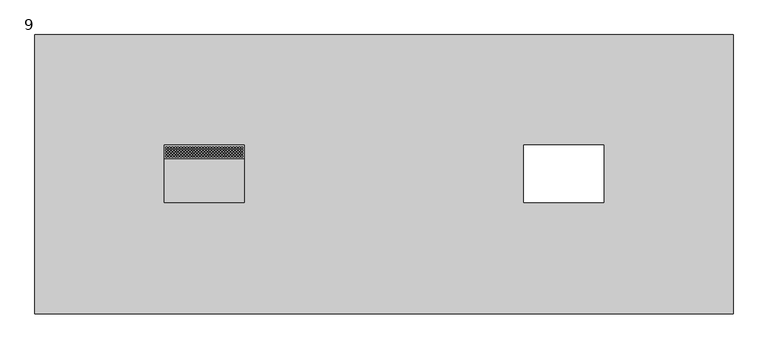
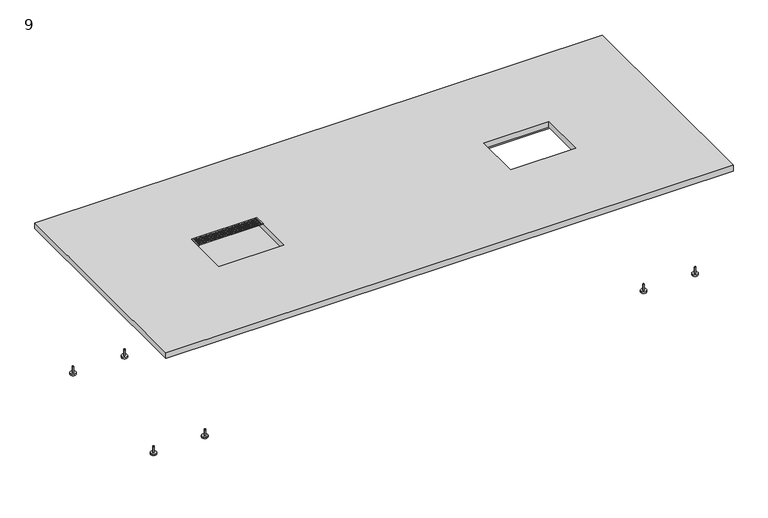
"""IFC4 building model written with IfcOpenShell, lengths in millimetres: furniture geometry, 9."""

from ifc_helpers import new_model, si_unit, point, frame, frame_2d, origin, origin_with_axes, place, context, project, spatial, polyline, circle_curve, trimmed, segment, composite_curve, outline, extrude, source, transform, mapped, element, save


def furniture_9_bc677379(model_context):
    return source(origin(), model_context, "Body", "SweptSolid", [
        extrude(outline(polyline([(863.4796415, 414.02), (514.2296415, 414.02), (514.2296415, 471.17), (863.4796415, 471.17), (863.4796415, 414.02)]), holes=[polyline([(527.0542734, 419.7500787), (527.0542734, 426.1000787), (520.7042734, 426.1000787), (520.7042734, 419.7500787), (527.0542734, 419.7500787)]), polyline([(527.0542734, 432.4500787), (527.0542734, 438.8000787), (520.7042734, 438.8000787), (520.7042734, 432.4500787), (527.0542734, 432.4500787)]), polyline([(527.0542734, 445.1500787), (527.0542734, 451.5000787), (520.7042734, 451.5000787), (520.7042734, 445.1500787), (527.0542734, 445.1500787)]), polyline([(527.0542734, 457.8500787), (527.0542734, 464.2000787), (520.7042734, 464.2000787), (520.7042734, 457.8500787), (527.0542734, 457.8500787)]), polyline([(539.7542734, 419.7500787), (539.7542734, 426.1000787), (533.4042734, 426.1000787), (533.4042734, 419.7500787), (539.7542734, 419.7500787)]), polyline([(539.7542734, 432.4500787), (539.7542734, 438.8000787), (533.4042734, 438.8000787), (533.4042734, 432.4500787), (539.7542734, 432.4500787)]), polyline([(539.7542734, 445.1500787), (539.7542734, 451.5000787), (533.4042734, 451.5000787), (533.4042734, 445.1500787), (539.7542734, 445.1500787)]), polyline([(539.7542734, 457.8500787), (539.7542734, 464.2000787), (533.4042734, 464.2000787), (533.4042734, 457.8500787), (539.7542734, 457.8500787)]), polyline([(552.4542734, 419.7500787), (552.4542734, 426.1000787), (546.1042734, 426.1000787), (546.1042734, 419.7500787), (552.4542734, 419.7500787)]), polyline([(552.4542734, 432.4500787), (552.4542734, 438.8000787), (546.1042734, 438.8000787), (546.1042734, 432.4500787), (552.4542734, 432.4500787)]), polyline([(552.4542734, 445.1500787), (552.4542734, 451.5000787), (546.1042734, 451.5000787), (546.1042734, 445.1500787), (552.4542734, 445.1500787)]), polyline([(552.4542734, 457.8500787), (552.4542734, 464.2000787), (546.1042734, 464.2000787), (546.1042734, 457.8500787), (552.4542734, 457.8500787)]), polyline([(565.1542734, 419.7500787), (565.1542734, 426.1000787), (558.8042734, 426.1000787), (558.8042734, 419.7500787), (565.1542734, 419.7500787)]), polyline([(565.1542734, 432.4500787), (565.1542734, 438.8000787), (558.8042734, 438.8000787), (558.8042734, 432.4500787), (565.1542734, 432.4500787)]), polyline([(565.1542734, 445.1500787), (565.1542734, 451.5000787), (558.8042734, 451.5000787), (558.8042734, 445.1500787), (565.1542734, 445.1500787)]), polyline([(565.1542734, 457.8500787), (565.1542734, 464.2000787), (558.8042734, 464.2000787), (558.8042734, 457.8500787), (565.1542734, 457.8500787)]), polyline([(577.8542734, 419.7500787), (577.8542734, 426.1000787), (571.5042734, 426.1000787), (571.5042734, 419.7500787), (577.8542734, 419.7500787)]), polyline([(577.8542734, 432.4500787), (577.8542734, 438.8000787), (571.5042734, 438.8000787), (571.5042734, 432.4500787), (577.8542734, 432.4500787)]), polyline([(577.8542734, 445.1500787), (577.8542734, 451.5000787), (571.5042734, 451.5000787), (571.5042734, 445.1500787), (577.8542734, 445.1500787)]), polyline([(577.8542734, 457.8500787), (577.8542734, 464.2000787), (571.5042734, 464.2000787), (571.5042734, 457.8500787), (577.8542734, 457.8500787)]), polyline([(590.5542734, 419.7500787), (590.5542734, 426.1000787), (584.2042734, 426.1000787), (584.2042734, 419.7500787), (590.5542734, 419.7500787)]), polyline([(590.5542734, 432.4500787), (590.5542734, 438.8000787), (584.2042734, 438.8000787), (584.2042734, 432.4500787), (590.5542734, 432.4500787)]), polyline([(590.5542734, 445.1500787), (590.5542734, 451.5000787), (584.2042734, 451.5000787), (584.2042734, 445.1500787), (590.5542734, 445.1500787)]), polyline([(590.5542734, 457.8500787), (590.5542734, 464.2000787), (584.2042734, 464.2000787), (584.2042734, 457.8500787), (590.5542734, 457.8500787)]), polyline([(603.2542734, 419.7500787), (603.2542734, 426.1000787), (596.9042734, 426.1000787), (596.9042734, 419.7500787), (603.2542734, 419.7500787)]), polyline([(603.2542734, 432.4500787), (603.2542734, 438.8000787), (596.9042734, 438.8000787), (596.9042734, 432.4500787), (603.2542734, 432.4500787)]), polyline([(603.2542734, 445.1500787), (603.2542734, 451.5000787), (596.9042734, 451.5000787), (596.9042734, 445.1500787), (603.2542734, 445.1500787)]), polyline([(603.2542734, 457.8500787), (603.2542734, 464.2000787), (596.9042734, 464.2000787), (596.9042734, 457.8500787), (603.2542734, 457.8500787)]), polyline([(615.9542734, 419.7500787), (615.9542734, 426.1000787), (609.6042734, 426.1000787), (609.6042734, 419.7500787), (615.9542734, 419.7500787)]), polyline([(615.9542734, 432.4500787), (615.9542734, 438.8000787), (609.6042734, 438.8000787), (609.6042734, 432.4500787), (615.9542734, 432.4500787)]), polyline([(615.9542734, 445.1500787), (615.9542734, 451.5000787), (609.6042734, 451.5000787), (609.6042734, 445.1500787), (615.9542734, 445.1500787)]), polyline([(615.9542734, 457.8500787), (615.9542734, 464.2000787), (609.6042734, 464.2000787), (609.6042734, 457.8500787), (615.9542734, 457.8500787)]), polyline([(628.6542734, 419.7500787), (628.6542734, 426.1000787), (622.3042734, 426.1000787), (622.3042734, 419.7500787), (628.6542734, 419.7500787)]), polyline([(628.6542734, 432.4500787), (628.6542734, 438.8000787), (622.3042734, 438.8000787), (622.3042734, 432.4500787), (628.6542734, 432.4500787)]), polyline([(628.6542734, 445.1500787), (628.6542734, 451.5000787), (622.3042734, 451.5000787), (622.3042734, 445.1500787), (628.6542734, 445.1500787)]), polyline([(628.6542734, 457.8500787), (628.6542734, 464.2000787), (622.3042734, 464.2000787), (622.3042734, 457.8500787), (628.6542734, 457.8500787)]), polyline([(641.3542734, 419.7500787), (641.3542734, 426.1000787), (635.0042734, 426.1000787), (635.0042734, 419.7500787), (641.3542734, 419.7500787)]), polyline([(641.3542734, 432.4500787), (641.3542734, 438.8000787), (635.0042734, 438.8000787), (635.0042734, 432.4500787), (641.3542734, 432.4500787)]), polyline([(641.3542734, 445.1500787), (641.3542734, 451.5000787), (635.0042734, 451.5000787), (635.0042734, 445.1500787), (641.3542734, 445.1500787)]), polyline([(641.3542734, 457.8500787), (641.3542734, 464.2000787), (635.0042734, 464.2000787), (635.0042734, 457.8500787), (641.3542734, 457.8500787)]), polyline([(654.0542734, 419.7500787), (654.0542734, 426.1000787), (647.7042734, 426.1000787), (647.7042734, 419.7500787), (654.0542734, 419.7500787)]), polyline([(654.0542734, 432.4500787), (654.0542734, 438.8000787), (647.7042734, 438.8000787), (647.7042734, 432.4500787), (654.0542734, 432.4500787)]), polyline([(654.0542734, 445.1500787), (654.0542734, 451.5000787), (647.7042734, 451.5000787), (647.7042734, 445.1500787), (654.0542734, 445.1500787)]), polyline([(654.0542734, 457.8500787), (654.0542734, 464.2000787), (647.7042734, 464.2000787), (647.7042734, 457.8500787), (654.0542734, 457.8500787)]), polyline([(666.7542734, 419.7500787), (666.7542734, 426.1000787), (660.4042734, 426.1000787), (660.4042734, 419.7500787), (666.7542734, 419.7500787)]), polyline([(666.7542734, 432.4500787), (666.7542734, 438.8000787), (660.4042734, 438.8000787), (660.4042734, 432.4500787), (666.7542734, 432.4500787)]), polyline([(666.7542734, 445.1500787), (666.7542734, 451.5000787), (660.4042734, 451.5000787), (660.4042734, 445.1500787), (666.7542734, 445.1500787)]), polyline([(666.7542734, 457.8500787), (666.7542734, 464.2000787), (660.4042734, 464.2000787), (660.4042734, 457.8500787), (666.7542734, 457.8500787)]), polyline([(679.4542734, 419.7500787), (679.4542734, 426.1000787), (673.1042734, 426.1000787), (673.1042734, 419.7500787), (679.4542734, 419.7500787)]), polyline([(679.4542734, 432.4500787), (679.4542734, 438.8000787), (673.1042734, 438.8000787), (673.1042734, 432.4500787), (679.4542734, 432.4500787)]), polyline([(679.4542734, 445.1500787), (679.4542734, 451.5000787), (673.1042734, 451.5000787), (673.1042734, 445.1500787), (679.4542734, 445.1500787)]), polyline([(679.4542734, 457.8500787), (679.4542734, 464.2000787), (673.1042734, 464.2000787), (673.1042734, 457.8500787), (679.4542734, 457.8500787)]), polyline([(692.1542734, 419.7500787), (692.1542734, 426.1000787), (685.8042734, 426.1000787), (685.8042734, 419.7500787), (692.1542734, 419.7500787)]), polyline([(692.1542734, 432.4500787), (692.1542734, 438.8000787), (685.8042734, 438.8000787), (685.8042734, 432.4500787), (692.1542734, 432.4500787)]), polyline([(692.1542734, 445.1500787), (692.1542734, 451.5000787), (685.8042734, 451.5000787), (685.8042734, 445.1500787), (692.1542734, 445.1500787)]), polyline([(692.1542734, 457.8500787), (692.1542734, 464.2000787), (685.8042734, 464.2000787), (685.8042734, 457.8500787), (692.1542734, 457.8500787)]), polyline([(704.8542734, 419.7500787), (704.8542734, 426.1000787), (698.5042734, 426.1000787), (698.5042734, 419.7500787), (704.8542734, 419.7500787)]), polyline([(704.8542734, 432.4500787), (704.8542734, 438.8000787), (698.5042734, 438.8000787), (698.5042734, 432.4500787), (704.8542734, 432.4500787)]), polyline([(704.8542734, 445.1500787), (704.8542734, 451.5000787), (698.5042734, 451.5000787), (698.5042734, 445.1500787), (704.8542734, 445.1500787)]), polyline([(704.8542734, 457.8500787), (704.8542734, 464.2000787), (698.5042734, 464.2000787), (698.5042734, 457.8500787), (704.8542734, 457.8500787)]), polyline([(717.5542734, 419.7500787), (717.5542734, 426.1000787), (711.2042734, 426.1000787), (711.2042734, 419.7500787), (717.5542734, 419.7500787)]), polyline([(717.5542734, 432.4500787), (717.5542734, 438.8000787), (711.2042734, 438.8000787), (711.2042734, 432.4500787), (717.5542734, 432.4500787)]), polyline([(717.5542734, 445.1500787), (717.5542734, 451.5000787), (711.2042734, 451.5000787), (711.2042734, 445.1500787), (717.5542734, 445.1500787)]), polyline([(717.5542734, 457.8500787), (717.5542734, 464.2000787), (711.2042734, 464.2000787), (711.2042734, 457.8500787), (717.5542734, 457.8500787)]), polyline([(730.2542734, 419.7500787), (730.2542734, 426.1000787), (723.9042734, 426.1000787), (723.9042734, 419.7500787), (730.2542734, 419.7500787)]), polyline([(730.2542734, 432.4500787), (730.2542734, 438.8000787), (723.9042734, 438.8000787), (723.9042734, 432.4500787), (730.2542734, 432.4500787)]), polyline([(730.2542734, 445.1500787), (730.2542734, 451.5000787), (723.9042734, 451.5000787), (723.9042734, 445.1500787), (730.2542734, 445.1500787)]), polyline([(730.2542734, 457.8500787), (730.2542734, 464.2000787), (723.9042734, 464.2000787), (723.9042734, 457.8500787), (730.2542734, 457.8500787)]), polyline([(742.9542734, 419.7500787), (742.9542734, 426.1000787), (736.6042734, 426.1000787), (736.6042734, 419.7500787), (742.9542734, 419.7500787)]), polyline([(742.9542734, 432.4500787), (742.9542734, 438.8000787), (736.6042734, 438.8000787), (736.6042734, 432.4500787), (742.9542734, 432.4500787)]), polyline([(742.9542734, 445.1500787), (742.9542734, 451.5000787), (736.6042734, 451.5000787), (736.6042734, 445.1500787), (742.9542734, 445.1500787)]), polyline([(742.9542734, 457.8500787), (742.9542734, 464.2000787), (736.6042734, 464.2000787), (736.6042734, 457.8500787), (742.9542734, 457.8500787)]), polyline([(755.6542734, 419.7500787), (755.6542734, 426.1000787), (749.3042734, 426.1000787), (749.3042734, 419.7500787), (755.6542734, 419.7500787)]), polyline([(755.6542734, 432.4500787), (755.6542734, 438.8000787), (749.3042734, 438.8000787), (749.3042734, 432.4500787), (755.6542734, 432.4500787)]), polyline([(755.6542734, 445.1500787), (755.6542734, 451.5000787), (749.3042734, 451.5000787), (749.3042734, 445.1500787), (755.6542734, 445.1500787)]), polyline([(755.6542734, 457.8500787), (755.6542734, 464.2000787), (749.3042734, 464.2000787), (749.3042734, 457.8500787), (755.6542734, 457.8500787)]), polyline([(768.3542734, 419.7500787), (768.3542734, 426.1000787), (762.0042734, 426.1000787), (762.0042734, 419.7500787), (768.3542734, 419.7500787)]), polyline([(768.3542734, 432.4500787), (768.3542734, 438.8000787), (762.0042734, 438.8000787), (762.0042734, 432.4500787), (768.3542734, 432.4500787)]), polyline([(768.3542734, 445.1500787), (768.3542734, 451.5000787), (762.0042734, 451.5000787), (762.0042734, 445.1500787), (768.3542734, 445.1500787)]), polyline([(768.3542734, 457.8500787), (768.3542734, 464.2000787), (762.0042734, 464.2000787), (762.0042734, 457.8500787), (768.3542734, 457.8500787)]), polyline([(781.0542734, 419.7500787), (781.0542734, 426.1000787), (774.7042734, 426.1000787), (774.7042734, 419.7500787), (781.0542734, 419.7500787)]), polyline([(781.0542734, 432.4500787), (781.0542734, 438.8000787), (774.7042734, 438.8000787), (774.7042734, 432.4500787), (781.0542734, 432.4500787)]), polyline([(781.0542734, 445.1500787), (781.0542734, 451.5000787), (774.7042734, 451.5000787), (774.7042734, 445.1500787), (781.0542734, 445.1500787)]), polyline([(781.0542734, 457.8500787), (781.0542734, 464.2000787), (774.7042734, 464.2000787), (774.7042734, 457.8500787), (781.0542734, 457.8500787)]), polyline([(793.7542734, 419.7500787), (793.7542734, 426.1000787), (787.4042734, 426.1000787), (787.4042734, 419.7500787), (793.7542734, 419.7500787)]), polyline([(793.7542734, 432.4500787), (793.7542734, 438.8000787), (787.4042734, 438.8000787), (787.4042734, 432.4500787), (793.7542734, 432.4500787)]), polyline([(793.7542734, 445.1500787), (793.7542734, 451.5000787), (787.4042734, 451.5000787), (787.4042734, 445.1500787), (793.7542734, 445.1500787)]), polyline([(793.7542734, 457.8500787), (793.7542734, 464.2000787), (787.4042734, 464.2000787), (787.4042734, 457.8500787), (793.7542734, 457.8500787)]), polyline([(806.4542734, 419.7500787), (806.4542734, 426.1000787), (800.1042734, 426.1000787), (800.1042734, 419.7500787), (806.4542734, 419.7500787)]), polyline([(806.4542734, 432.4500787), (806.4542734, 438.8000787), (800.1042734, 438.8000787), (800.1042734, 432.4500787), (806.4542734, 432.4500787)]), polyline([(806.4542734, 445.1500787), (806.4542734, 451.5000787), (800.1042734, 451.5000787), (800.1042734, 445.1500787), (806.4542734, 445.1500787)]), polyline([(806.4542734, 457.8500787), (806.4542734, 464.2000787), (800.1042734, 464.2000787), (800.1042734, 457.8500787), (806.4542734, 457.8500787)]), polyline([(819.1542734, 419.7500787), (819.1542734, 426.1000787), (812.8042734, 426.1000787), (812.8042734, 419.7500787), (819.1542734, 419.7500787)]), polyline([(819.1542734, 432.4500787), (819.1542734, 438.8000787), (812.8042734, 438.8000787), (812.8042734, 432.4500787), (819.1542734, 432.4500787)]), polyline([(819.1542734, 445.1500787), (819.1542734, 451.5000787), (812.8042734, 451.5000787), (812.8042734, 445.1500787), (819.1542734, 445.1500787)]), polyline([(819.1542734, 457.8500787), (819.1542734, 464.2000787), (812.8042734, 464.2000787), (812.8042734, 457.8500787), (819.1542734, 457.8500787)]), polyline([(831.8542734, 419.7500787), (831.8542734, 426.1000787), (825.5042734, 426.1000787), (825.5042734, 419.7500787), (831.8542734, 419.7500787)]), polyline([(831.8542734, 432.4500787), (831.8542734, 438.8000787), (825.5042734, 438.8000787), (825.5042734, 432.4500787), (831.8542734, 432.4500787)]), polyline([(831.8542734, 445.1500787), (831.8542734, 451.5000787), (825.5042734, 451.5000787), (825.5042734, 445.1500787), (831.8542734, 445.1500787)]), polyline([(831.8542734, 457.8500787), (831.8542734, 464.2000787), (825.5042734, 464.2000787), (825.5042734, 457.8500787), (831.8542734, 457.8500787)]), polyline([(844.5542734, 419.7500787), (844.5542734, 426.1000787), (838.2042734, 426.1000787), (838.2042734, 419.7500787), (844.5542734, 419.7500787)]), polyline([(844.5542734, 432.4500787), (844.5542734, 438.8000787), (838.2042734, 438.8000787), (838.2042734, 432.4500787), (844.5542734, 432.4500787)]), polyline([(844.5542734, 445.1500787), (844.5542734, 451.5000787), (838.2042734, 451.5000787), (838.2042734, 445.1500787), (844.5542734, 445.1500787)]), polyline([(844.5542734, 457.8500787), (844.5542734, 464.2000787), (838.2042734, 464.2000787), (838.2042734, 457.8500787), (844.5542734, 457.8500787)]), polyline([(857.2542734, 419.7500787), (857.2542734, 426.1000787), (850.9042734, 426.1000787), (850.9042734, 419.7500787), (857.2542734, 419.7500787)]), polyline([(857.2542734, 432.4500787), (857.2542734, 438.8000787), (850.9042734, 438.8000787), (850.9042734, 432.4500787), (857.2542734, 432.4500787)]), polyline([(857.2542734, 445.1500787), (857.2542734, 451.5000787), (850.9042734, 451.5000787), (850.9042734, 445.1500787), (857.2542734, 445.1500787)]), polyline([(857.2542734, 457.8500787), (857.2542734, 464.2000787), (850.9042734, 464.2000787), (850.9042734, 457.8500787), (857.2542734, 457.8500787)])]), frame((0.0, 0.0, 739.775), z_axis=(0.0, 0.0, 1.0), x_axis=(1.0, 0.0, 0.0)), (0.0, 0.0, 1.0), 2.54),
        extrude(outline(polyline([(873.0046415, 220.472), (504.7046415, 220.472), (504.7046415, 471.17), (873.0046415, 471.17), (873.0046415, 220.472)])), frame((0.0, 0.0, 656.2909937), z_axis=(0.0, 0.0, 1.0), x_axis=(1.0, 0.0, 0.0)), (0.0, 0.0, 1.0), 51.7340063),
        extrude(outline(composite_curve([segment(trimmed(circle_curve(frame_2d((2928.5169923, 718.3436889)), 3.9469495), [point((2924.5700428, 718.3436889))], [point((2932.4639418, 718.3436889))], False, "CARTESIAN"), True, "CONTINUOUS"), segment(trimmed(circle_curve(frame_2d((2928.5169923, 718.3436889)), 3.9469495), [point((2932.4639418, 718.3436889))], [point((2924.5700428, 718.3436889))], False, "CARTESIAN"), True, "CONTINUOUS")], self_intersect=False)), frame((0.0, 0.0, 7.6398437), z_axis=(0.0, 0.0, 1.0), x_axis=(1.0, 0.0, 0.0)), (0.0, 0.0, 1.0), 34.693572),
        extrude(outline(composite_curve([segment(trimmed(circle_curve(frame_2d((2928.0127687, 718.3040625)), 15.24), [point((2912.7727687, 718.3040625))], [point((2943.2527687, 718.3040625))], False, "CARTESIAN"), True, "CONTINUOUS"), segment(trimmed(circle_curve(frame_2d((2928.0127687, 718.3040625)), 15.24), [point((2943.2527687, 718.3040625))], [point((2912.7727687, 718.3040625))], False, "CARTESIAN"), True, "CONTINUOUS")], self_intersect=False)), origin_with_axes(), (0.0, 0.0, 1.0), 7.62),
        extrude(outline(composite_curve([segment(trimmed(circle_curve(frame_2d((2651.8466705, 718.3436889)), 3.9469495), [point((2655.79362, 718.3436889))], [point((2647.899721, 718.3436889))], False, "CARTESIAN"), True, "CONTINUOUS"), segment(trimmed(circle_curve(frame_2d((2651.8466705, 718.3436889)), 3.9469495), [point((2647.899721, 718.3436889))], [point((2655.79362, 718.3436889))], False, "CARTESIAN"), True, "CONTINUOUS")], self_intersect=False)), frame((0.0, 0.0, 7.6398437), z_axis=(0.0, 0.0, 1.0), x_axis=(1.0, 0.0, 0.0)), (0.0, 0.0, 1.0), 34.693572),
        extrude(outline(composite_curve([segment(trimmed(circle_curve(frame_2d((2652.3508942, 718.3040625)), 15.24), [point((2667.5908942, 718.3040625))], [point((2637.1108942, 718.3040625))], False, "CARTESIAN"), True, "CONTINUOUS"), segment(trimmed(circle_curve(frame_2d((2652.3508942, 718.3040625)), 15.24), [point((2637.1108942, 718.3040625))], [point((2667.5908942, 718.3040625))], False, "CARTESIAN"), True, "CONTINUOUS")], self_intersect=False)), origin_with_axes(), (0.0, 0.0, 1.0), 7.62),
        extrude(outline(composite_curve([segment(trimmed(circle_curve(frame_2d((2928.5169923, -30.0036889)), 3.9469495), [point((2924.5700428, -30.0036889))], [point((2932.4639418, -30.0036889))], False, "CARTESIAN"), True, "CONTINUOUS"), segment(trimmed(circle_curve(frame_2d((2928.5169923, -30.0036889)), 3.9469495), [point((2932.4639418, -30.0036889))], [point((2924.5700428, -30.0036889))], False, "CARTESIAN"), True, "CONTINUOUS")], self_intersect=False)), frame((0.0, 0.0, 7.6398437), z_axis=(0.0, 0.0, 1.0), x_axis=(1.0, 0.0, 0.0)), (0.0, 0.0, 1.0), 34.693572),
        extrude(outline(composite_curve([segment(trimmed(circle_curve(frame_2d((2928.0127687, -29.9640625)), 15.24), [point((2912.7727687, -29.9640625))], [point((2943.2527687, -29.9640625))], False, "CARTESIAN"), True, "CONTINUOUS"), segment(trimmed(circle_curve(frame_2d((2928.0127687, -29.9640625)), 15.24), [point((2943.2527687, -29.9640625))], [point((2912.7727687, -29.9640625))], False, "CARTESIAN"), True, "CONTINUOUS")], self_intersect=False)), origin_with_axes(), (0.0, 0.0, 1.0), 7.62),
        extrude(outline(composite_curve([segment(trimmed(circle_curve(frame_2d((2651.8466705, -30.0036889)), 3.9469495), [point((2655.79362, -30.0036889))], [point((2647.899721, -30.0036889))], False, "CARTESIAN"), True, "CONTINUOUS"), segment(trimmed(circle_curve(frame_2d((2651.8466705, -30.0036889)), 3.9469495), [point((2647.899721, -30.0036889))], [point((2655.79362, -30.0036889))], False, "CARTESIAN"), True, "CONTINUOUS")], self_intersect=False)), frame((0.0, 0.0, 7.6398437), z_axis=(0.0, 0.0, 1.0), x_axis=(1.0, 0.0, 0.0)), (0.0, 0.0, 1.0), 34.693572),
        extrude(outline(composite_curve([segment(trimmed(circle_curve(frame_2d((2652.3508942, -29.9640625)), 15.24), [point((2667.5908942, -29.9640625))], [point((2637.1108942, -29.9640625))], False, "CARTESIAN"), True, "CONTINUOUS"), segment(trimmed(circle_curve(frame_2d((2652.3508942, -29.9640625)), 15.24), [point((2637.1108942, -29.9640625))], [point((2667.5908942, -29.9640625))], False, "CARTESIAN"), True, "CONTINUOUS")], self_intersect=False)), origin_with_axes(), (0.0, 0.0, 1.0), 7.62),
        extrude(outline(polyline([(2845.1931155, -59.928125), (2734.9931428, -59.928125), (2734.9931428, 748.268125), (2845.1931155, 748.268125), (2845.1931155, -59.928125)])), frame((0.0, 0.0, 706.7627014), z_axis=(0.0, 0.0, 1.0), x_axis=(1.0, 0.0, 0.0)), (0.0, 0.0, 1.0), 1.2622986),
        extrude(outline(polyline([(708.025, 2845.1931155), (708.025, 2844.1568314), (642.4365105, 2853.3746925), (642.4365105, 2854.4109766), (708.025, 2845.1931155)])), frame((0.0, -59.928125, 0.0), z_axis=(0.0, 1.0, 0.0), x_axis=(0.0, 0.0, 1.0)), (0.0, 0.0, 1.0), 808.19625),
        extrude(outline(polyline([(708.025, 2735.1705473), (642.4365105, 2725.9526862), (642.4365105, 2726.9889703), (708.025, 2736.2068314), (708.025, 2735.1705473)])), frame((0.0, -59.928125, 0.0), z_axis=(0.0, 1.0, 0.0), x_axis=(0.0, 0.0, 1.0)), (0.0, 0.0, 1.0), 808.19625),
        extrude(outline(polyline([(2734.9931428, 574.04), (2734.9931428, 523.24), (211.1661403, 523.24), (211.1661403, 574.04), (2734.9931428, 574.04)])), frame((0.0, 0.0, 657.225), z_axis=(0.0, 0.0, 1.0), x_axis=(1.0, 0.0, 0.0)), (0.0, 0.0, 1.0), 50.8),
        extrude(outline(composite_curve([segment(trimmed(circle_curve(frame_2d((17.6422908, 718.3436889)), 3.9469495), [point((21.5892403, 718.3436889))], [point((13.6953413, 718.3436889))], False, "CARTESIAN"), True, "CONTINUOUS"), segment(trimmed(circle_curve(frame_2d((17.6422908, 718.3436889)), 3.9469495), [point((13.6953413, 718.3436889))], [point((21.5892403, 718.3436889))], False, "CARTESIAN"), True, "CONTINUOUS")], self_intersect=False)), frame((0.0, 0.0, 7.6398437), z_axis=(0.0, 0.0, 1.0), x_axis=(1.0, 0.0, 0.0)), (0.0, 0.0, 1.0), 34.693572),
        extrude(outline(composite_curve([segment(trimmed(circle_curve(frame_2d((18.1465144, 718.3040625)), 15.24), [point((33.3865144, 718.3040625))], [point((2.9065144, 718.3040625))], False, "CARTESIAN"), True, "CONTINUOUS"), segment(trimmed(circle_curve(frame_2d((18.1465144, 718.3040625)), 15.24), [point((2.9065144, 718.3040625))], [point((33.3865144, 718.3040625))], False, "CARTESIAN"), True, "CONTINUOUS")], self_intersect=False)), origin_with_axes(), (0.0, 0.0, 1.0), 7.62),
        extrude(outline(composite_curve([segment(trimmed(circle_curve(frame_2d((294.3126126, 718.3436889)), 3.9469495), [point((290.3656631, 718.3436889))], [point((298.2595621, 718.3436889))], False, "CARTESIAN"), True, "CONTINUOUS"), segment(trimmed(circle_curve(frame_2d((294.3126126, 718.3436889)), 3.9469495), [point((298.2595621, 718.3436889))], [point((290.3656631, 718.3436889))], False, "CARTESIAN"), True, "CONTINUOUS")], self_intersect=False)), frame((0.0, 0.0, 7.6398437), z_axis=(0.0, 0.0, 1.0), x_axis=(1.0, 0.0, 0.0)), (0.0, 0.0, 1.0), 34.693572),
        extrude(outline(composite_curve([segment(trimmed(circle_curve(frame_2d((293.8083889, 718.3040625)), 15.24), [point((278.5683889, 718.3040625))], [point((309.0483889, 718.3040625))], False, "CARTESIAN"), True, "CONTINUOUS"), segment(trimmed(circle_curve(frame_2d((293.8083889, 718.3040625)), 15.24), [point((309.0483889, 718.3040625))], [point((278.5683889, 718.3040625))], False, "CARTESIAN"), True, "CONTINUOUS")], self_intersect=False)), origin_with_axes(), (0.0, 0.0, 1.0), 7.62),
        extrude(outline(polyline([(2734.9931428, 165.1), (2734.9931428, 114.3), (211.1661403, 114.3), (211.1661403, 165.1), (2734.9931428, 165.1)])), frame((0.0, 0.0, 657.225), z_axis=(0.0, 0.0, 1.0), x_axis=(1.0, 0.0, 0.0)), (0.0, 0.0, 1.0), 50.8),
        extrude(outline(polyline([(2997.0796415, 953.77), (2997.0796415, -265.43), (-50.9203585, -265.43), (-50.9203585, 953.77), (2997.0796415, 953.77)]), holes=[polyline([(863.4796415, 471.17), (514.2296415, 471.17), (514.2296415, 220.472), (863.4796415, 220.472), (863.4796415, 471.17)]), polyline([(2431.9296415, 471.17), (2082.6796415, 471.17), (2082.6796415, 220.472), (2431.9296415, 220.472), (2431.9296415, 471.17)])]), frame((0.0, 0.0, 708.025), z_axis=(0.0, 0.0, 1.0), x_axis=(1.0, 0.0, 0.0)), (0.0, 0.0, 1.0), 31.75),
        extrude(outline(composite_curve([segment(trimmed(circle_curve(frame_2d((17.6422908, -30.0036889)), 3.9469495), [point((21.5892403, -30.0036889))], [point((13.6953413, -30.0036889))], False, "CARTESIAN"), True, "CONTINUOUS"), segment(trimmed(circle_curve(frame_2d((17.6422908, -30.0036889)), 3.9469495), [point((13.6953413, -30.0036889))], [point((21.5892403, -30.0036889))], False, "CARTESIAN"), True, "CONTINUOUS")], self_intersect=False)), frame((0.0, 0.0, 7.6398437), z_axis=(0.0, 0.0, 1.0), x_axis=(1.0, 0.0, 0.0)), (0.0, 0.0, 1.0), 34.693572),
        extrude(outline(composite_curve([segment(trimmed(circle_curve(frame_2d((18.1465144, -29.9640625)), 15.24), [point((33.3865144, -29.9640625))], [point((2.9065144, -29.9640625))], False, "CARTESIAN"), True, "CONTINUOUS"), segment(trimmed(circle_curve(frame_2d((18.1465144, -29.9640625)), 15.24), [point((2.9065144, -29.9640625))], [point((33.3865144, -29.9640625))], False, "CARTESIAN"), True, "CONTINUOUS")], self_intersect=False)), origin_with_axes(), (0.0, 0.0, 1.0), 7.62),
        extrude(outline(composite_curve([segment(trimmed(circle_curve(frame_2d((294.3126126, -30.0036889)), 3.9469495), [point((290.3656631, -30.0036889))], [point((298.2595621, -30.0036889))], False, "CARTESIAN"), True, "CONTINUOUS"), segment(trimmed(circle_curve(frame_2d((294.3126126, -30.0036889)), 3.9469495), [point((298.2595621, -30.0036889))], [point((290.3656631, -30.0036889))], False, "CARTESIAN"), True, "CONTINUOUS")], self_intersect=False)), frame((0.0, 0.0, 7.6398437), z_axis=(0.0, 0.0, 1.0), x_axis=(1.0, 0.0, 0.0)), (0.0, 0.0, 1.0), 34.693572),
        extrude(outline(composite_curve([segment(trimmed(circle_curve(frame_2d((293.8083889, -29.9640625)), 15.24), [point((278.5683889, -29.9640625))], [point((309.0483889, -29.9640625))], False, "CARTESIAN"), True, "CONTINUOUS"), segment(trimmed(circle_curve(frame_2d((293.8083889, -29.9640625)), 15.24), [point((309.0483889, -29.9640625))], [point((278.5683889, -29.9640625))], False, "CARTESIAN"), True, "CONTINUOUS")], self_intersect=False)), origin_with_axes(), (0.0, 0.0, 1.0), 7.62),
        extrude(outline(polyline([(211.1661403, -59.928125), (100.9661676, -59.928125), (100.9661676, 748.268125), (211.1661403, 748.268125), (211.1661403, -59.928125)])), frame((0.0, 0.0, 706.7627014), z_axis=(0.0, 0.0, 1.0), x_axis=(1.0, 0.0, 0.0)), (0.0, 0.0, 1.0), 1.2622986),
        extrude(outline(polyline([(708.025, 100.9661676), (642.4365105, 91.7483065), (642.4365105, 92.7845906), (708.025, 102.0024517), (708.025, 100.9661676)])), frame((0.0, -59.928125, 0.0), z_axis=(0.0, 1.0, 0.0), x_axis=(0.0, 0.0, 1.0)), (0.0, 0.0, 1.0), 808.19625),
        extrude(outline(polyline([(708.025, 210.9887358), (708.025, 209.9524517), (642.4365105, 219.1703127), (642.4365105, 220.2065968), (708.025, 210.9887358)])), frame((0.0, -59.928125, 0.0), z_axis=(0.0, 1.0, 0.0), x_axis=(0.0, 0.0, 1.0)), (0.0, 0.0, 1.0), 808.19625),
    ])


if __name__ == "__main__":
    model = new_model("IFC4")
    model_context = context("Model", 3, world=origin())
    ifc_project = project(units=[si_unit("LENGTHUNIT", "METRE", prefix="MILLI")], contexts=[model_context])
    site = spatial("IfcSite", under=ifc_project)
    building = spatial("IfcBuilding", under=site)
    placement = place(None, origin())
    furniture_9_shape = furniture_9_bc677379(model_context)
    element("IfcFurniture", 1, ObjectType="9", at=placement, inside=building, context=model_context, shape_type="MappedRepresentation", body=[
        mapped(furniture_9_shape, transform((0.0, 0.0, 0.0), x_axis=(1.0, 0.0, 0.0), y_axis=(0.0, 1.0, 0.0), z_axis=(0.0, 0.0, 1.0))),
    ])
    save(model, "model.ifc")
